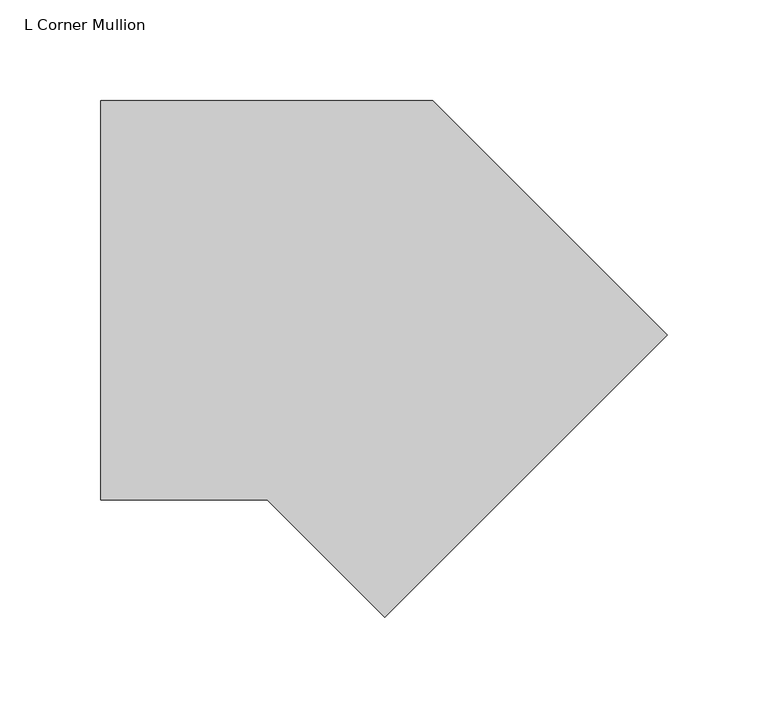
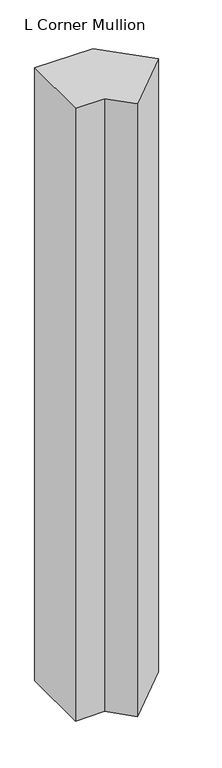
"""IFC4 building model written with IfcOpenShell, lengths in millimetres: member geometry, L Corner Mullion."""

from ifc_helpers import new_model, si_unit, frame, origin, place, context, project, spatial, polyline, outline, extrude, source, transform, mapped, element, save


def l_corner_mullion_3b64f735(model_context):
    return source(origin(), model_context, "Body", "SweptSolid", [
        extrude(outline(polyline([(-6.2730589, -214.8657481), (-64.770057, -156.36875), (-147.4973051, -156.36875), (-147.4973051, 42.06875), (17.4254468, 42.06875), (134.043443, -74.5492462), (-6.2730589, -214.8657481)])), frame((0.0, 0.0, -1828.8), z_axis=(0.0, 0.0, 1.0), x_axis=(1.0, 0.0, 0.0)), (0.0, 0.0, 1.0), 1828.8),
    ])


if __name__ == "__main__":
    model = new_model("IFC4")
    model_context = context("Model", 3, world=origin())
    ifc_project = project(units=[si_unit("LENGTHUNIT", "METRE", prefix="MILLI")], contexts=[model_context])
    site = spatial("IfcSite", under=ifc_project)
    building = spatial("IfcBuilding", under=site)
    placement = place(None, origin())
    l_corner_mullion_shape = l_corner_mullion_3b64f735(model_context)
    element("IfcMember", 1, ObjectType="L Corner Mullion", at=placement, inside=building, context=model_context, shape_type="MappedRepresentation", body=[
        mapped(l_corner_mullion_shape, transform((0.0, 0.0, 0.0), x_axis=(1.0, 0.0, 0.0), y_axis=(0.0, 1.0, 0.0), z_axis=(0.0, 0.0, 1.0))),
    ])
    save(model, "model.ifc")
